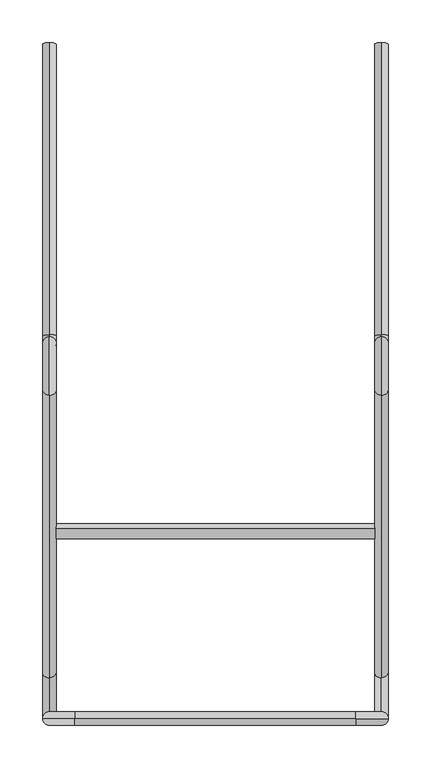
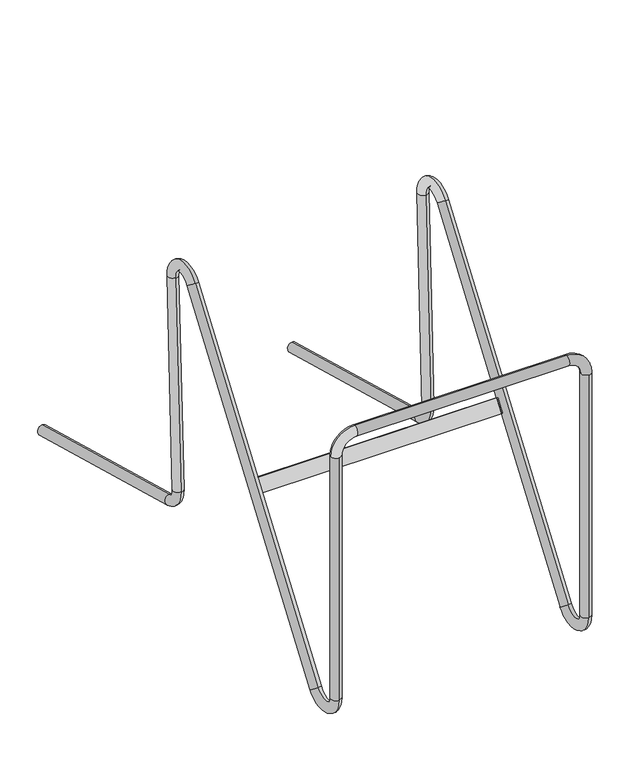
"""IFC4 building model written with IfcOpenShell, lengths in millimetres: proxy geometry."""

from ifc_helpers import new_model, si_unit, point, frame, origin, place, context, project, spatial, circle_curve, ellipse_curve, trimmed, source, transform, mapped, element, save
from ifc_brep_helpers import plane_surface, cylinder_surface, revolved_surface, advanced_brep


def generic_models_8b9db234(model_context):
    return source(origin(), model_context, "Body", "AdvancedBrep", [
        advanced_brep(
        [(195.0, 55.9007975, 27.2108856), (195.0, 387.8554506, 491.8445444), (195.0, 400.8742125, 482.5433703), (195.0, 68.9195594, 17.9097114), (187.5689572, 231.7891144, 264.7353861), (187.5689572, 219.0, 246.8345886), (187.5988601, 223.8820357, 243.3466483), (187.5988601, 236.6711501, 261.2474458), (-195.0, 55.9007975, 27.2108856), (-195.0, 387.8554506, 491.8445444), (-195.0, 400.8742125, 482.5433703), (-195.0, 68.9195594, 17.9097114), (195.0, 459.1281054, 101.4973346), (195.0, 802.1099666, 7.7167377), (195.0, 797.8900334, -7.7167377), (195.0, 454.9081722, 86.0638592), (195.0, 426.9609257, 124.2383633), (195.0, 442.9481205, 123.5983633), (195.0, 456.7445978, 468.2342558), (195.0, 440.757403, 468.8742558), (195.0, 0.0, 40.0), (195.0, 0.0, 439.7542558), (187.0, 8.0, 439.7542558), (195.0, 16.0, 439.7542558), (195.0, 16.0, 40.0), (165.0, 8.0, 477.7542558), (203.0, 8.0, 439.7542558), (165.0, 8.0, 461.7542558), (-165.0, 8.0, 477.7542558), (-165.0, 8.0, 461.7542558), (-195.0, 459.1281054, 101.4973346), (-195.0, 802.1099666, 7.7167377), (-195.0, 797.8900334, -7.7167377), (-195.0, 454.9081722, 86.0638592), (-203.0, 8.0, 439.7542558), (-195.0, 0.0, 439.7542558), (-187.0, 8.0, 439.7542558), (-195.0, 426.9609257, 124.2383633), (-195.0, 442.9481205, 123.5983633), (-195.0, 0.0, 40.0), (-195.0, 16.0, 439.7542558), (-195.0, 16.0, 40.0), (-195.0, 456.7445978, 468.2342558), (-195.0, 440.757403, 468.8742558), (-187.5988601, 236.6711501, 261.2474458), (-187.5988601, 223.8820357, 243.3466483), (-187.5689572, 219.0, 246.8345886), (-187.5689572, 231.7891144, 264.7353861)],
        [
            (0, 1),
            (1, 2, circle_curve(frame((195.0, 394.3648316, 487.1939573), z_axis=(0.0, -0.5813233833751995, -0.8136726147174985), x_axis=(0.0, -0.8136726147174985, 0.5813233833751995)), 8.0)),
            (2, 3),
            (3, 0, circle_curve(frame((195.0, 62.4101784, 22.5602985), z_axis=(0.0, 0.5813233833751995, 0.8136726147174985), x_axis=(0.0, -0.8136726147174985, 0.5813233833751995)), 8.0)),
            (4, 5),
            (5, 6, circle_curve(frame((195.0, 221.4109441, 245.1121044), z_axis=(0.0, -0.5813233833751995, -0.8136726147174985), x_axis=(0.0, -0.8136726147174985, 0.5813233833751995)), 8.0)),
            (6, 7),
            (7, 4, circle_curve(frame((195.0, 234.2000586, 263.0129019), z_axis=(0.0, 0.5813233833751995, 0.8136726147174985), x_axis=(0.0, -0.8136726147174985, 0.5813233833751995)), 8.0)),
            (8, 9),
            (9, 10, circle_curve(frame((-195.0, 394.3648316, 487.1939573), z_axis=(0.0, -0.5813233833751995, -0.8136726147174985), x_axis=(0.0, -0.8136726147174985, 0.5813233833751995)), 8.0)),
            (10, 11),
            (11, 8, circle_curve(frame((-195.0, 62.4101784, 22.5602985), z_axis=(0.0, 0.5813233833751995, 0.8136726147174985), x_axis=(0.0, -0.8136726147174985, 0.5813233833751995)), 8.0)),
            (12, 13),
            (13, 14, circle_curve(frame((195.0, 800.0, 0.0), z_axis=(0.0, -0.9645922145115445, 0.2637458240498128), x_axis=(0.0, 0.2637458240498127, 0.9645922145115443)), 8.0)),
            (14, 15),
            (15, 12, circle_curve(frame((195.0, 457.0181388, 93.7805969), z_axis=(0.0, 0.9645922145115445, -0.2637458240498128), x_axis=(0.0, 0.2637458240498127, 0.9645922145115443)), 8.0)),
            (16, 15, circle_curve(frame((195.0, 464.9305135, 122.7183633), z_axis=(1.0, 0.0, 0.0), x_axis=(0.0, -0.999199679743744, 0.03999999999999084)), 38.0)),
            (15, 12, circle_curve(frame((195.0, 457.0181388, 93.7805969), z_axis=(0.0, -0.9645922145115364, 0.26374582404984154), x_axis=(0.0, -0.26374582404984154, -0.9645922145115364)), 8.0)),
            (12, 17, circle_curve(frame((195.0, 464.9305135, 122.7183633), z_axis=(-1.0, 0.0, 0.0), x_axis=(0.0, -0.999199679743744, 0.03999999999999084)), 22.0)),
            (17, 16, circle_curve(frame((195.0, 434.9545231, 123.9183633), z_axis=(0.0, -0.03999999999998311, -0.9991996797437444), x_axis=(0.0, -0.9991996797437444, 0.03999999999998311)), 8.0)),
            (18, 17),
            (17, 16, circle_curve(frame((195.0, 434.9545231, 123.9183633), z_axis=(0.0, 0.039999999999999654, 0.9991996797437439), x_axis=(0.0, 0.9991996797437437, -0.03999999999999965)), 8.0)),
            (16, 19),
            (19, 18, circle_curve(frame((195.0, 448.7510004, 468.5542558), z_axis=(0.0, -0.039999999999999654, -0.9991996797437439), x_axis=(0.0, 0.9991996797437437, -0.03999999999999965)), 8.0)),
            (20, 21),
            (21, 22, circle_curve(frame((195.0, 8.0, 439.7542558), z_axis=(0.0, 0.0, -1.0), x_axis=(0.0, -1.0, 0.0)), 8.0)),
            (22, 23, circle_curve(frame((195.0, 8.0, 439.7542558), z_axis=(0.0, 0.0, -1.0), x_axis=(0.0, -1.0, 0.0)), 8.0)),
            (23, 24),
            (24, 20, circle_curve(frame((195.0, 8.0, 40.0), z_axis=(0.0, 0.0, 1.0), x_axis=(0.0, -1.0, 0.0)), 8.0)),
            (25, 26, circle_curve(frame((165.0, 8.0, 439.7542558), z_axis=(0.0, 1.0, 0.0), x_axis=(0.0, 0.0, 1.0)), 38.0)),
            (26, 23, circle_curve(frame((195.0, 8.0, 439.7542558), z_axis=(0.0, 0.0, 1.0), x_axis=(1.0, 0.0, 0.0)), 8.0)),
            (22, 27, circle_curve(frame((165.0, 8.0, 439.7542558), z_axis=(0.0, -1.0, 0.0), x_axis=(0.0, 0.0, 1.0)), 22.0)),
            (27, 25, circle_curve(frame((165.0, 8.0, 469.7542558), z_axis=(1.0, 0.0, 0.0), x_axis=(0.0, 0.0, 1.0)), 8.0)),
            (25, 28),
            (28, 29, circle_curve(frame((-165.0, 8.0, 469.7542558), z_axis=(1.0, 0.0, 0.0), x_axis=(0.0, 0.0, 1.0)), 8.0)),
            (29, 27),
            (27, 25, circle_curve(frame((165.0, 8.0, 469.7542558), z_axis=(-1.0, 0.0, 0.0), x_axis=(0.0, 0.0, 1.0)), 8.0)),
            (30, 31),
            (31, 32, circle_curve(frame((-195.0, 800.0, 0.0), z_axis=(0.0, -0.9645922145115445, 0.2637458240498128), x_axis=(0.0, 0.2637458240498127, 0.9645922145115443)), 8.0)),
            (32, 33),
            (33, 30, circle_curve(frame((-195.0, 457.0181388, 93.7805969), z_axis=(0.0, 0.9645922145115445, -0.2637458240498128), x_axis=(0.0, 0.2637458240498127, 0.9645922145115443)), 8.0)),
            (28, 34, circle_curve(frame((-165.0, 8.0, 439.7542558), z_axis=(0.0, -1.0, 0.0), x_axis=(0.0, 0.0, 1.0)), 38.0)),
            (34, 35, circle_curve(frame((-195.0, 8.0, 439.7542558), z_axis=(0.0, 0.0, 1.0), x_axis=(-1.0, 0.0, 0.0)), 8.0)),
            (35, 36, circle_curve(frame((-195.0, 8.0, 439.7542558), z_axis=(0.0, 0.0, 1.0), x_axis=(-1.0, 0.0, 0.0)), 8.0)),
            (36, 29, circle_curve(frame((-165.0, 8.0, 439.7542558), z_axis=(0.0, 1.0, 0.0), x_axis=(0.0, 0.0, 1.0)), 22.0)),
            (33, 37, circle_curve(frame((-195.0, 464.9305135, 122.7183633), z_axis=(-1.0, 0.0, 0.0), x_axis=(0.0, -0.2637458240496504, -0.9645922145115888)), 38.0)),
            (37, 38, circle_curve(frame((-195.0, 434.9545231, 123.9183633), z_axis=(0.0, -0.0400000000001173, -0.999199679743739), x_axis=(0.0, -0.999199679743739, 0.0400000000001173)), 8.0)),
            (38, 30, circle_curve(frame((-195.0, 464.9305135, 122.7183633), z_axis=(1.0, 0.0, 0.0), x_axis=(0.0, -0.2637458240496504, -0.9645922145115888)), 22.0)),
            (39, 35),
            (34, 40, circle_curve(frame((-195.0, 8.0, 439.7542558), z_axis=(0.0, 0.0, -1.0), x_axis=(0.0, -1.0, 0.0)), 8.0)),
            (40, 41),
            (41, 39, circle_curve(frame((-195.0, 8.0, 40.0), z_axis=(0.0, 0.0, 1.0), x_axis=(0.0, -1.0, 0.0)), 8.0)),
            (42, 38),
            (37, 43),
            (43, 42, circle_curve(frame((-195.0, 448.7510004, 468.5542558), z_axis=(0.0, -0.039999999999999654, -0.9991996797437439), x_axis=(0.0, 0.9991996797437437, -0.03999999999999965)), 8.0)),
            (1, 18, circle_curve(frame((195.0, 418.77501, 469.7542558), z_axis=(-1.0, 0.0, 0.0), x_axis=(0.0, -0.8136726147173576, 0.5813233833753967)), 38.0)),
            (19, 2, circle_curve(frame((195.0, 418.77501, 469.7542558), z_axis=(1.0, 0.0, 0.0), x_axis=(0.0, -0.8136726147173576, 0.5813233833753967)), 22.0)),
            (20, 3, circle_curve(frame((195.0, 38.0, 40.0), z_axis=(1.0, 0.0, 0.0), x_axis=(0.0, -1.0, 0.0)), 38.0)),
            (3, 0, circle_curve(frame((195.0, 62.4101784, 22.5602985), z_axis=(0.0, -0.5813233833751003, -0.8136726147175695), x_axis=(0.0, 0.8136726147175695, -0.5813233833751003)), 8.0)),
            (0, 24, circle_curve(frame((195.0, 38.0, 40.0), z_axis=(-1.0, 0.0, 0.0), x_axis=(0.0, -1.0, 0.0)), 22.0)),
            (24, 20, circle_curve(frame((195.0, 8.0, 40.0), z_axis=(0.0, 0.0, -1.0), x_axis=(0.0, -1.0, 0.0)), 8.0)),
            (11, 39, circle_curve(frame((-195.0, 38.0, 40.0), z_axis=(-1.0, 0.0, 0.0), x_axis=(0.0, 0.8136726147174361, -0.5813233833752869)), 38.0)),
            (41, 8, circle_curve(frame((-195.0, 38.0, 40.0), z_axis=(1.0, 0.0, 0.0), x_axis=(0.0, 0.8136726147174361, -0.5813233833752869)), 22.0)),
            (42, 9, circle_curve(frame((-195.0, 418.77501, 469.7542558), z_axis=(1.0, 0.0, 0.0), x_axis=(0.0, 0.9991996797437229, -0.04000000000051913)), 38.0)),
            (9, 10, circle_curve(frame((-195.0, 394.3648316, 487.1939573), z_axis=(0.0, 0.5813233833750605, 0.8136726147175978), x_axis=(0.0, -0.8136726147175978, 0.5813233833750605)), 8.0)),
            (10, 43, circle_curve(frame((-195.0, 418.77501, 469.7542558), z_axis=(-1.0, 0.0, 0.0), x_axis=(0.0, 0.9991996797437229, -0.04000000000051913)), 22.0)),
            (43, 42, circle_curve(frame((-195.0, 448.7510004, 468.5542558), z_axis=(0.0, 0.040000000000519405, 0.9991996797437229), x_axis=(0.0, 0.9991996797437229, -0.040000000000519405)), 8.0)),
            (11, 8, circle_curve(frame((-195.0, 62.4101784, 22.5602985), z_axis=(0.0, -0.5813233833752879, -0.8136726147174355), x_axis=(0.0, 0.8136726147174355, -0.5813233833752879)), 8.0)),
            (41, 39, circle_curve(frame((-195.0, 8.0, 40.0), z_axis=(0.0, 0.0, -1.0), x_axis=(0.0, -1.0, 0.0)), 8.0)),
            (1, 2, circle_curve(frame((195.0, 394.3648316, 487.1939573), z_axis=(0.0, 0.5813233833753989, 0.8136726147173562), x_axis=(0.0, -0.8136726147173562, 0.5813233833753989)), 8.0)),
            (19, 18, circle_curve(frame((195.0, 448.7510004, 468.5542558), z_axis=(0.0, 0.03999999999968201, 0.9991996797437566), x_axis=(0.0, 0.9991996797437566, -0.03999999999968201)), 8.0)),
            (37, 38, circle_curve(frame((-195.0, 434.9545231, 123.9183633), z_axis=(0.0, 0.039999999999999654, 0.9991996797437439), x_axis=(0.0, 0.9991996797437437, -0.03999999999999965)), 8.0)),
            (40, 36, circle_curve(frame((-195.0, 8.0, 439.7542558), z_axis=(0.0, 0.0, -1.0), x_axis=(0.0, -1.0, 0.0)), 8.0)),
            (33, 30, circle_curve(frame((-195.0, 457.0181388, 93.7805969), z_axis=(0.0, -0.9645922145115692, 0.2637458240497223), x_axis=(0.0, -0.2637458240497223, -0.9645922145115692)), 8.0)),
            (28, 29, circle_curve(frame((-165.0, 8.0, 469.7542558), z_axis=(-1.0, 0.0, 0.0), x_axis=(0.0, 0.0, 1.0)), 8.0)),
            (32, 31, circle_curve(frame((-195.0, 800.0, 0.0), z_axis=(0.0, -0.9645922145115445, 0.2637458240498128), x_axis=(0.0, 0.2637458240498127, 0.9645922145115443)), 8.0)),
            (21, 26, circle_curve(frame((195.0, 8.0, 439.7542558), z_axis=(0.0, 0.0, 1.0), x_axis=(1.0, 0.0, 0.0)), 8.0)),
            (14, 13, circle_curve(frame((195.0, 800.0, 0.0), z_axis=(0.0, -0.9645922145115445, 0.2637458240498128), x_axis=(0.0, 0.2637458240498127, 0.9645922145115443)), 8.0)),
            (44, 45),
            (45, 46, circle_curve(frame((-195.0, 221.4109441, 245.1121044), z_axis=(0.0, -0.5813233833751995, -0.8136726147174985), x_axis=(0.0, -0.8136726147174985, 0.5813233833751995)), 8.0)),
            (46, 47),
            (47, 44, circle_curve(frame((-195.0, 234.2000586, 263.0129019), z_axis=(0.0, 0.5813233833751995, 0.8136726147174985), x_axis=(0.0, -0.8136726147174985, 0.5813233833751995)), 8.0)),
            (5, 46),
            (45, 6),
            (44, 7),
            (47, 4),
        ],
        [
            cylinder_surface(frame((195.0, 62.4101784, 22.5602985), z_axis=(0.0, 0.5813233833751996, 0.8136726147174987), x_axis=(0.0, -0.8136726147174985, 0.5813233833751995)), 8.0),
            cylinder_surface(frame((-195.0, 62.4101784, 22.5602985), z_axis=(0.0, 0.5813233833751996, 0.8136726147174987), x_axis=(0.0, -0.8136726147174985, 0.5813233833751995)), 8.0),
            cylinder_surface(frame((195.0, 457.0181388, 93.7805969), z_axis=(0.0, 0.9645922145115443, -0.2637458240498127), x_axis=(0.0, 0.2637458240498127, 0.9645922145115443)), 8.0),
            revolved_surface(trimmed(ellipse_curve(frame((195.0, 434.9545231, 123.9183633), z_axis=(0.0, 0.039999999999990876, 0.999199679743744), x_axis=(0.0, -0.999199679743744, 0.039999999999990876)), 8.0, 8.0), [point((195.0, 426.9609257, 124.2383633))], [point((195.0, 442.9481205, 123.5983633))], True, "CARTESIAN"), (195.0, 464.9305135, 122.7183633), (1.0, 0.0, 0.0)),
            cylinder_surface(frame((195.0, 448.7510004, 468.5542558), z_axis=(0.0, -0.03999999999999965, -0.9991996797437437), x_axis=(0.0, 0.9991996797437437, -0.03999999999999965)), 8.0),
            cylinder_surface(frame((195.0, 8.0, 40.0), z_axis=(0.0, 0.0, 1.0), x_axis=(0.0, -1.0, 0.0)), 8.0),
            revolved_surface(trimmed(ellipse_curve(frame((165.0, 8.0, 469.7542558), z_axis=(-1.0, 0.0, 0.0), x_axis=(0.0, 0.0, 1.0)), 8.0, 8.0), [point((165.0, 8.0, 477.7542558))], [point((165.0, 8.0, 461.7542558))], True, "CARTESIAN"), (165.0, 8.0, 439.7542558), (0.0, 1.0, 0.0)),
            cylinder_surface(frame((165.0, 8.0, 469.7542558), z_axis=(-1.0, 0.0, 0.0), x_axis=(0.0, 0.0, 1.0)), 8.0),
            cylinder_surface(frame((-195.0, 457.0181388, 93.7805969), z_axis=(0.0, 0.9645922145115443, -0.2637458240498127), x_axis=(0.0, 0.2637458240498127, 0.9645922145115443)), 8.0),
            revolved_surface(trimmed(ellipse_curve(frame((-165.0, 8.0, 469.7542558), z_axis=(1.0, 0.0, 0.0), x_axis=(0.0, 0.0, 1.0)), 8.0, 8.0), [point((-165.0, 8.0, 477.7542558))], [point((-165.0, 8.0, 461.7542558))], True, "CARTESIAN"), (-165.0, 8.0, 439.7542558), (0.0, -1.0, 0.0)),
            revolved_surface(trimmed(ellipse_curve(frame((-195.0, 457.0181388, 93.7805969), z_axis=(0.0, 0.9645922145115892, -0.2637458240496494), x_axis=(0.0, -0.2637458240496494, -0.9645922145115892)), 8.0, 8.0), [point((-195.0, 454.9081722, 86.0638592))], [point((-195.0, 459.1281054, 101.4973346))], True, "CARTESIAN"), (-195.0, 464.9305135, 122.7183633), (-1.0, 0.0, 0.0)),
            cylinder_surface(frame((-195.0, 8.0, 40.0), z_axis=(0.0, 0.0, 1.0), x_axis=(0.0, -1.0, 0.0)), 8.0),
            cylinder_surface(frame((-195.0, 448.7510004, 468.5542558), z_axis=(0.0, -0.03999999999999965, -0.9991996797437437), x_axis=(0.0, 0.9991996797437437, -0.03999999999999965)), 8.0),
            revolved_surface(trimmed(ellipse_curve(frame((195.0, 394.3648316, 487.1939573), z_axis=(0.0, -0.581323383375396, -0.8136726147173581), x_axis=(0.0, -0.8136726147173581, 0.581323383375396)), 8.0, 8.0), [point((195.0, 387.8554506, 491.8445444))], [point((195.0, 400.8742125, 482.5433703))], True, "CARTESIAN"), (195.0, 418.77501, 469.7542558), (-1.0, 0.0, 0.0)),
            revolved_surface(trimmed(ellipse_curve(frame((195.0, 8.0, 40.0), z_axis=(0.0, 0.0, 1.0), x_axis=(0.0, -1.0, 0.0)), 8.0, 8.0), [point((195.0, 0.0, 40.0))], [point((195.0, 16.0, 40.0))], True, "CARTESIAN"), (195.0, 38.0, 40.0), (1.0, 0.0, 0.0)),
            revolved_surface(trimmed(ellipse_curve(frame((-195.0, 62.4101784, 22.5602985), z_axis=(0.0, 0.5813233833752869, 0.8136726147174361), x_axis=(0.0, 0.8136726147174361, -0.5813233833752869)), 8.0, 8.0), [point((-195.0, 68.9195594, 17.9097114))], [point((-195.0, 55.9007975, 27.2108856))], True, "CARTESIAN"), (-195.0, 38.0, 40.0), (-1.0, 0.0, 0.0)),
            revolved_surface(trimmed(ellipse_curve(frame((-195.0, 448.7510004, 468.5542558), z_axis=(0.0, -0.04000000000051985, -0.9991996797437229), x_axis=(0.0, 0.9991996797437229, -0.04000000000051985)), 8.0, 8.0), [point((-195.0, 456.7445978, 468.2342558))], [point((-195.0, 440.757403, 468.8742558))], True, "CARTESIAN"), (-195.0, 418.77501, 469.7542558), (1.0, 0.0, 0.0)),
            revolved_surface(trimmed(ellipse_curve(frame((-195.0, 448.7510004, 468.5542558), z_axis=(0.0, -0.040000000000525004, -0.9991996797437228), x_axis=(0.0, 0.9991996797437228, -0.040000000000525004)), 8.0, 8.0), [point((-195.0, 440.757403, 468.8742558))], [point((-195.0, 456.7445978, 468.2342558))], True, "CARTESIAN"), (-195.0, 418.77501, 469.7542558), (1.0, 0.0, 0.0)),
            revolved_surface(trimmed(ellipse_curve(frame((-195.0, 62.4101784, 22.5602985), z_axis=(0.0, 0.5813233833752877, 0.8136726147174356), x_axis=(0.0, 0.8136726147174356, -0.5813233833752877)), 8.0, 8.0), [point((-195.0, 55.9007975, 27.2108856))], [point((-195.0, 68.9195594, 17.9097114))], True, "CARTESIAN"), (-195.0, 38.0, 40.0), (-1.0, 0.0, 0.0)),
            revolved_surface(trimmed(ellipse_curve(frame((195.0, 8.0, 40.0), z_axis=(0.0, 0.0, 1.0), x_axis=(0.0, -1.0, 0.0)), 8.0, 8.0), [point((195.0, 16.0, 40.0))], [point((195.0, 0.0, 40.0))], True, "CARTESIAN"), (195.0, 38.0, 40.0), (1.0, 0.0, 0.0)),
            revolved_surface(trimmed(ellipse_curve(frame((195.0, 394.3648316, 487.1939573), z_axis=(0.0, -0.581323383375397, -0.8136726147173575), x_axis=(0.0, -0.8136726147173575, 0.581323383375397)), 8.0, 8.0), [point((195.0, 400.8742125, 482.5433703))], [point((195.0, 387.8554506, 491.8445444))], True, "CARTESIAN"), (195.0, 418.77501, 469.7542558), (-1.0, 0.0, 0.0)),
            revolved_surface(trimmed(ellipse_curve(frame((-195.0, 457.0181388, 93.7805969), z_axis=(0.0, 0.9645922145115895, -0.2637458240496482), x_axis=(0.0, -0.2637458240496482, -0.9645922145115895)), 8.0, 8.0), [point((-195.0, 459.1281054, 101.4973346))], [point((-195.0, 454.9081722, 86.0638592))], True, "CARTESIAN"), (-195.0, 464.9305135, 122.7183633), (-1.0, 0.0, 0.0)),
            revolved_surface(trimmed(ellipse_curve(frame((-165.0, 8.0, 469.7542558), z_axis=(1.0, 0.0, 0.0), x_axis=(0.0, 0.0, 1.0)), 8.0, 8.0), [point((-165.0, 8.0, 461.7542558))], [point((-165.0, 8.0, 477.7542558))], True, "CARTESIAN"), (-165.0, 8.0, 439.7542558), (0.0, -1.0, 0.0)),
            revolved_surface(trimmed(ellipse_curve(frame((165.0, 8.0, 469.7542558), z_axis=(-1.0, 0.0, 0.0), x_axis=(0.0, 0.0, 1.0)), 8.0, 8.0), [point((165.0, 8.0, 461.7542558))], [point((165.0, 8.0, 477.7542558))], True, "CARTESIAN"), (165.0, 8.0, 439.7542558), (0.0, 1.0, 0.0)),
            revolved_surface(trimmed(ellipse_curve(frame((195.0, 434.9545231, 123.9183633), z_axis=(0.0, 0.039999999999992666, 0.999199679743744), x_axis=(0.0, -0.999199679743744, 0.039999999999992666)), 8.0, 8.0), [point((195.0, 442.9481205, 123.5983633))], [point((195.0, 426.9609257, 124.2383633))], True, "CARTESIAN"), (195.0, 464.9305135, 122.7183633), (1.0, 0.0, 0.0)),
            plane_surface(frame((-195.0, 800.0, 0.0), z_axis=(0.0, 0.9645922145115438, -0.2637458240498152), x_axis=(0.0, 0.2637458240498152, 0.9645922145115438))),
            plane_surface(frame((195.0, 800.0, 0.0), z_axis=(0.0, 0.9645922145115438, -0.2637458240498152), x_axis=(0.0, 0.2637458240498152, 0.9645922145115438))),
            plane_surface(frame((190.0, 219.0, 246.8345886), z_axis=(0.0, -0.5813233833752018, -0.8136726147174969), x_axis=(0.0, -0.8136726147174969, 0.5813233833752018))),
            plane_surface(frame((190.0, 223.8820357, 243.3466483), z_axis=(0.0, 0.8136726147174955, -0.5813233833752038), x_axis=(0.0, -0.5813233833752038, -0.8136726147174955))),
            plane_surface(frame((190.0, 236.6711501, 261.2474458), z_axis=(0.0, 0.581323383375205, 0.8136726147174947), x_axis=(0.0, 0.8136726147174947, -0.581323383375205))),
            plane_surface(frame((190.0, 231.7891144, 264.7353861), z_axis=(0.0, -0.8136726147174959, 0.5813233833752032), x_axis=(0.0, 0.5813233833752032, 0.8136726147174959))),
        ],
        [
            (0, [[1, 2, 3, 4], [5, 6, 7, 8]]),
            (1, [[9, 10, 11, 12]]),
            (2, [[13, 14, 15, 16]]),
            (3, [[17, 18, 19, 20]]),
            (4, [[21, 22, 23, 24]]),
            (5, [[25, 26, 27, 28, 29]]),
            (6, [[30, 31, -27, 32, 33]]),
            (7, [[34, 35, 36, 37]]),
            (8, [[38, 39, 40, 41]]),
            (9, [[42, 43, 44, 45, -35]]),
            (10, [[46, 47, 48, -41]]),
            (11, [[49, -43, 50, 51, 52]]),
            (12, [[53, -47, 54, 55]]),
            (13, [[56, -24, 57, -2]]),
            (14, [[58, 59, 60, 61]]),
            (15, [[62, -52, 63, -12]]),
            (16, [[64, 65, 66, 67]]),
            (17, [[-64, -55, -66, -10]]),
            (18, [[-62, 68, -63, 69]]),
            (19, [[-58, -29, -60, -4]]),
            (20, [[-56, 70, -57, 71]]),
            (12, [[-53, -67, -54, 72]]),
            (11, [[-49, -69, -51, 73, -44]]),
            (21, [[-46, 74, -48, -72]]),
            (22, [[-42, 75, -45, -73, -50]]),
            (8, [[-38, -74, -40, 76]]),
            (7, [[-34, -33, -36, -75]]),
            (23, [[-30, -37, -32, -26, 77]]),
            (5, [[-25, -61, -28, -31, -77]]),
            (4, [[-21, -71, -23, -20]]),
            (24, [[-17, -22, -19, -16]]),
            (2, [[-13, -18, -15, 78]]),
            (1, [[-9, -68, -11, -65], [79, 80, 81, 82]]),
            (0, [[-1, -59, -3, -70]]),
            (25, [[-39, -76]]),
            (26, [[-14, -78]]),
            (27, [[-6, 83, -80, 84]]),
            (28, [[-7, -84, -79, 85]]),
            (29, [[-8, -85, -82, 86]]),
            (30, [[-5, -86, -81, -83]]),
        ],
    ),
    ])


if __name__ == "__main__":
    model = new_model("IFC4")
    model_context = context("Model", 3, world=origin())
    ifc_project = project(units=[si_unit("LENGTHUNIT", "METRE", prefix="MILLI")], contexts=[model_context])
    site = spatial("IfcSite", under=ifc_project)
    building = spatial("IfcBuilding", under=site)
    placement = place(None, origin())
    generic_models_shape = generic_models_8b9db234(model_context)
    element("IfcBuildingElementProxy", 1, Name="Generic Models", at=placement, inside=building, context=model_context, shape_type="MappedRepresentation", body=[
        mapped(generic_models_shape, transform((0.0, 0.0, 0.0), x_axis=(1.0, 0.0, 0.0), y_axis=(0.0, 1.0, 0.0), z_axis=(0.0, 0.0, 1.0))),
    ])
    save(model, "model.ifc")
